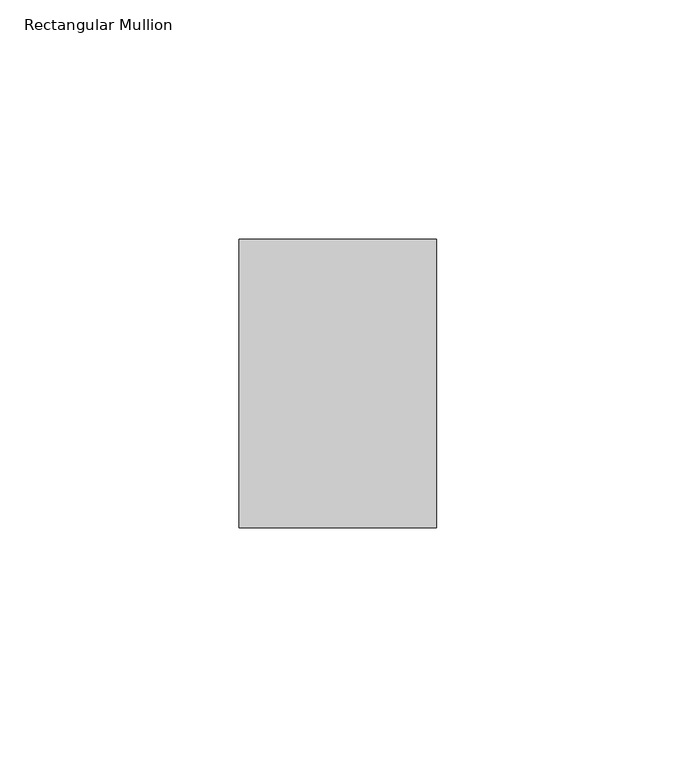
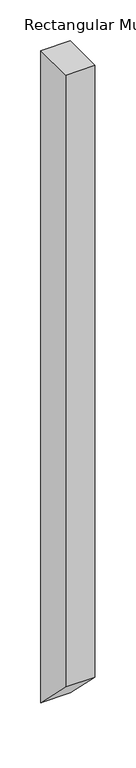
"""IFC4 building model written with IfcOpenShell, lengths in millimetres: member geometry, Rectangular Mullion."""

from ifc_helpers import new_model, si_unit, frame, origin, place, context, project, spatial, polyline, outline, extrude, source, transform, mapped, element, save


def rectangular_mullion_ccff7246(model_context):
    return source(origin(), model_context, "Body", "SweptSolid", [
        extrude(outline(polyline([(-50.8, 0.0), (9.525, 0.0), (9.525, -973.1375), (-50.8, -912.8125), (-50.8, 0.0)])), frame((-41.275, 0.0, 0.0), z_axis=(1.0, 0.0, 0.0), x_axis=(0.0, 1.0, 0.0)), (0.0, 0.0, 1.0), 41.275),
    ])


if __name__ == "__main__":
    model = new_model("IFC4")
    model_context = context("Model", 3, world=origin())
    ifc_project = project(units=[si_unit("LENGTHUNIT", "METRE", prefix="MILLI")], contexts=[model_context])
    site = spatial("IfcSite", under=ifc_project)
    building = spatial("IfcBuilding", under=site)
    placement = place(None, origin())
    rectangular_mullion_shape = rectangular_mullion_ccff7246(model_context)
    element("IfcMember", 1, ObjectType="Rectangular Mullion", at=placement, inside=building, context=model_context, shape_type="MappedRepresentation", body=[
        mapped(rectangular_mullion_shape, transform((0.0, 0.0, 0.0), x_axis=(1.0, 0.0, 0.0), y_axis=(0.0, 1.0, 0.0), z_axis=(0.0, 0.0, 1.0))),
    ])
    save(model, "model.ifc")
